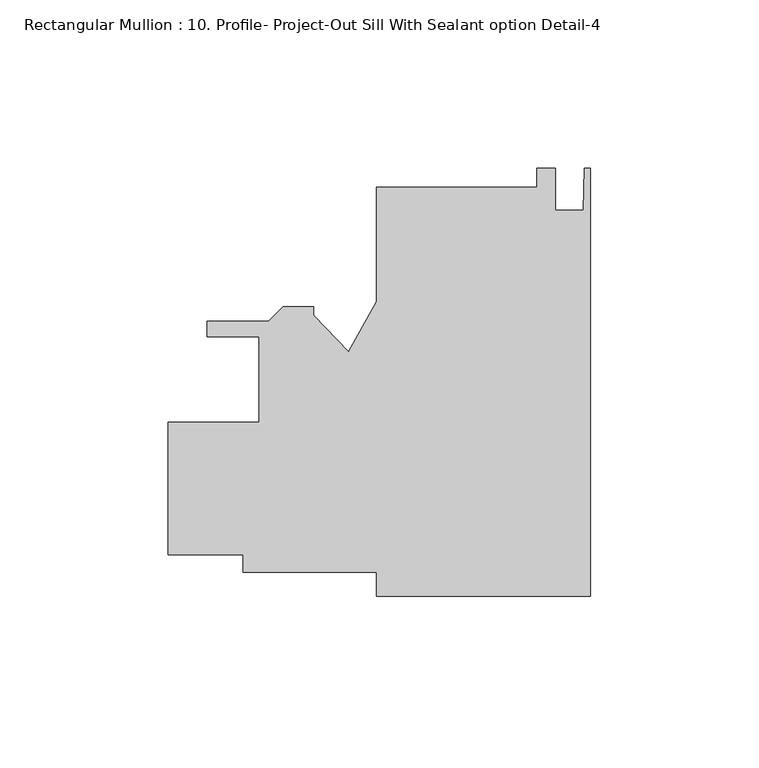
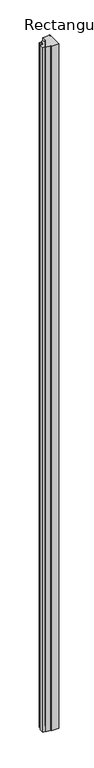
"""IFC4 building model written with IfcOpenShell, lengths in millimetres: member geometry, Rectangular Mullion : 10. Profile- Project-Out Sill With Sealant option Detail-4."""

from ifc_helpers import new_model, si_unit, frame, origin, place, context, project, spatial, polyline, outline, extrude, source, transform, mapped, element, save


def rectangular_mullion_10_profile_project_out_sill_with_sealant_8a2eef2e(model_context):
    return source(origin(), model_context, "Body", "SweptSolid", [
        extrude(outline(polyline([(0.0, 62.0551175), (0.0, -64.9448825), (-63.5, -64.9448825), (-63.5, -57.8138325), (-103.1874887, -57.8138325), (-103.1874887, -52.7338533), (-125.4124886, -52.7338533), (-125.4124886, -13.3638534), (-98.4249887, -13.3638534), (-98.4249887, 12.0361466), (-113.9261383, 12.0361466), (-113.9261383, 16.7351467), (-95.5436305, 16.7351467), (-91.2764305, 21.0023467), (-82.1761383, 21.0023467), (-82.1761383, 18.4623469), (-71.8458535, 7.6155479), (-63.5, 22.5263203), (-63.5, 56.4925175), (-15.875, 56.4925175), (-15.875, 62.0791859), (-10.3124, 62.0791859), (-10.3124, 49.7107175), (-2.032, 49.7107175), (-1.778, 62.0551175), (0.0, 62.0551175)])), frame((0.0, 0.0, -6032.5), z_axis=(0.0, 0.0, 1.0), x_axis=(1.0, 0.0, 0.0)), (0.0, 0.0, 1.0), 6032.5),
    ])


if __name__ == "__main__":
    model = new_model("IFC4")
    model_context = context("Model", 3, world=origin())
    ifc_project = project(units=[si_unit("LENGTHUNIT", "METRE", prefix="MILLI")], contexts=[model_context])
    site = spatial("IfcSite", under=ifc_project)
    building = spatial("IfcBuilding", under=site)
    placement = place(None, origin())
    rectangular_mullion_10_profile_project_out_sill_with_sealant_shape = rectangular_mullion_10_profile_project_out_sill_with_sealant_8a2eef2e(model_context)
    element("IfcMember", 1, ObjectType="Rectangular Mullion : 10. Profile- Project-Out Sill With Sealant option Detail-4", at=placement, inside=building, context=model_context, shape_type="MappedRepresentation", body=[
        mapped(rectangular_mullion_10_profile_project_out_sill_with_sealant_shape, transform((0.0, 0.0, 0.0), x_axis=(1.0, 0.0, 0.0), y_axis=(0.0, 1.0, 0.0), z_axis=(0.0, 0.0, 1.0))),
    ])
    save(model, "model.ifc")
